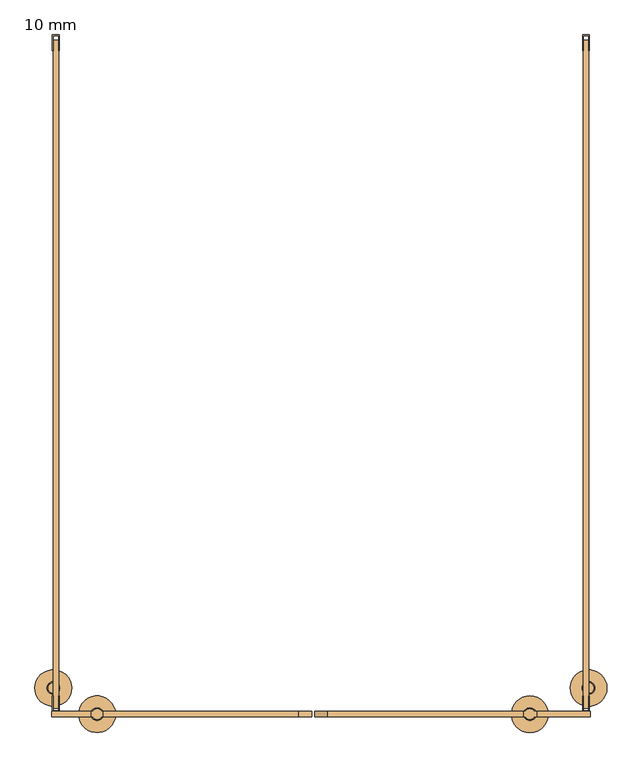
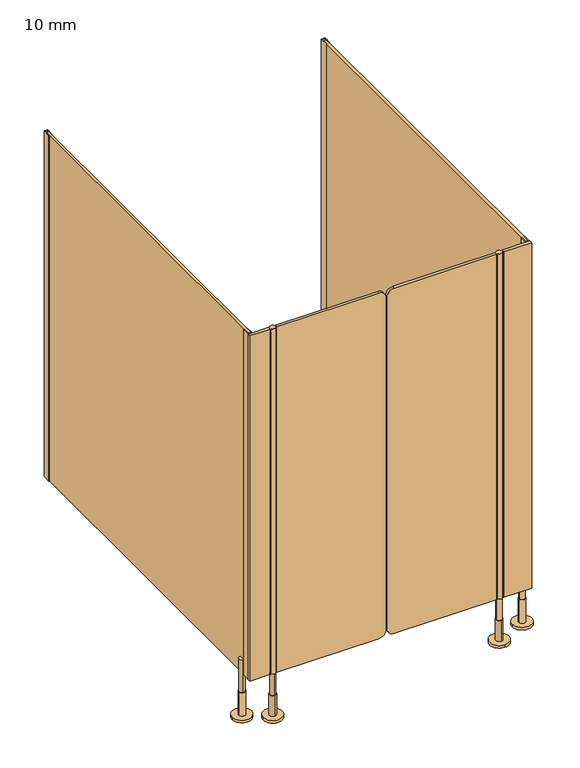
"""IFC4 building model written with IfcOpenShell, lengths in millimetres: door geometry, 10 mm."""

from ifc_helpers import new_model, si_unit, point, frame, frame_2d, origin, place, context, project, spatial, polyline, circle_curve, trimmed, segment, composite_curve, outline, extrude, source, transform, mapped, element, save
from ifc_brep_helpers import plane_surface, cylinder_surface, advanced_brep


def door_10_mm_b8bd5be1(model_context):
    return source(origin(), model_context, "Body", "SolidModel", [
        advanced_brep(
        [(408.0, -1295.0, 170.0), (388.0, -1295.0, 170.0), (388.0, -1295.0, 90.0), (408.0, -1295.0, 90.0), (398.0, -1283.0, 90.0), (398.0, -1307.0, 90.0), (398.0, -1283.0, 10.0), (398.0, -1307.0, 10.0), (398.0, -1260.0, 10.0), (398.0, -1330.0, 10.0), (398.0, -1260.0, 0.0), (398.0, -1330.0, 0.0)],
        [
            (0, 1, circle_curve(frame((398.0, -1295.0, 170.0), z_axis=(0.0, 0.0, 1.0), x_axis=(-1.0, 0.0, 0.0)), 10.0)),
            (1, 0, circle_curve(frame((398.0, -1295.0, 170.0), z_axis=(0.0, 0.0, 1.0), x_axis=(-1.0, 0.0, 0.0)), 10.0)),
            (1, 2),
            (2, 3, circle_curve(frame((398.0, -1295.0, 90.0), z_axis=(0.0, 0.0, 1.0), x_axis=(-1.0, 0.0, 0.0)), 10.0)),
            (3, 0),
            (3, 2, circle_curve(frame((398.0, -1295.0, 90.0), z_axis=(0.0, 0.0, 1.0), x_axis=(-1.0, 0.0, 0.0)), 10.0)),
            (4, 5, circle_curve(frame((398.0, -1295.0, 90.0), z_axis=(0.0, 0.0, 1.0), x_axis=(0.0, -1.0, 0.0)), 12.0)),
            (5, 4, circle_curve(frame((398.0, -1295.0, 90.0), z_axis=(0.0, 0.0, 1.0), x_axis=(0.0, -1.0, 0.0)), 12.0)),
            (4, 6),
            (6, 7, circle_curve(frame((398.0, -1295.0, 10.0), z_axis=(0.0, 0.0, 1.0), x_axis=(0.0, -1.0, 0.0)), 12.0)),
            (7, 5),
            (7, 6, circle_curve(frame((398.0, -1295.0, 10.0), z_axis=(0.0, 0.0, 1.0), x_axis=(0.0, -1.0, 0.0)), 12.0)),
            (8, 9, circle_curve(frame((398.0, -1295.0, 10.0), z_axis=(0.0, 0.0, 1.0), x_axis=(0.0, -1.0, 0.0)), 35.0)),
            (9, 8, circle_curve(frame((398.0, -1295.0, 10.0), z_axis=(0.0, 0.0, 1.0), x_axis=(0.0, -1.0, 0.0)), 35.0)),
            (10, 11, circle_curve(frame((398.0, -1295.0, 0.0), z_axis=(0.0, 0.0, -1.0), x_axis=(0.0, -1.0, 0.0)), 35.0)),
            (11, 10, circle_curve(frame((398.0, -1295.0, 0.0), z_axis=(0.0, 0.0, -1.0), x_axis=(0.0, -1.0, 0.0)), 35.0)),
            (8, 10),
            (11, 9),
        ],
        [
            plane_surface(frame((398.0, -1290.0, 170.0), z_axis=(0.0, 0.0, 1.0), x_axis=(0.0, -1.0, 0.0))),
            cylinder_surface(frame((398.0, -1295.0, 90.0), z_axis=(0.0, 0.0, -1.0), x_axis=(-1.0, 0.0, 0.0)), 10.0),
            plane_surface(frame((398.0, -1290.0, 90.0), z_axis=(0.0, 0.0, 1.0), x_axis=(0.0, -1.0, 0.0))),
            cylinder_surface(frame((398.0, -1295.0, 90.0), z_axis=(0.0, 0.0, 1.0), x_axis=(0.0, -1.0, 0.0)), 12.0),
            plane_surface(frame((398.0, -1290.0, 10.0), z_axis=(0.0, 0.0, 1.0), x_axis=(0.0, -1.0, 0.0))),
            plane_surface(frame((398.0, -1290.0, 0.0), z_axis=(0.0, 0.0, -1.0), x_axis=(0.0, -1.0, 0.0))),
            cylinder_surface(frame((398.0, -1295.0, 10.0), z_axis=(0.0, 0.0, 1.0), x_axis=(0.0, -1.0, 0.0)), 35.0),
        ],
        [
            (0, [[1, 2]]),
            (1, [[-2, 3, 4, 5]]),
            (1, [[-1, -5, 6, -3]]),
            (2, [[7, 8], [-4, -6]]),
            (3, [[-7, 9, 10, 11]]),
            (3, [[-8, -11, 12, -9]]),
            (4, [[13, 14], [-10, -12]]),
            (5, [[15, 16]]),
            (6, [[-13, 17, -16, 18]]),
            (6, [[-14, -18, -15, -17]]),
        ],
    ),
        advanced_brep(
        [(-426.5, -1305.0, 170.0), (-426.5, -1285.0, 170.0), (-426.5, -1285.0, 90.0), (-426.5, -1305.0, 90.0), (-426.5, -1283.0, 90.0), (-426.5, -1307.0, 90.0), (-426.5, -1283.0, 10.0), (-426.5, -1307.0, 10.0), (-391.5, -1295.0, 0.0), (-461.5, -1295.0, 0.0), (-391.5, -1295.0, 10.0), (-461.5, -1295.0, 10.0)],
        [
            (0, 1, circle_curve(frame((-426.5, -1295.0, 170.0), z_axis=(0.0, 0.0, -1.0), x_axis=(0.0, -1.0, 0.0)), 10.0)),
            (1, 2),
            (2, 3, circle_curve(frame((-426.5, -1295.0, 90.0), z_axis=(0.0, 0.0, 1.0), x_axis=(0.0, -1.0, 0.0)), 10.0)),
            (3, 0),
            (1, 0, circle_curve(frame((-426.5, -1295.0, 170.0), z_axis=(0.0, 0.0, -1.0), x_axis=(0.0, -1.0, 0.0)), 10.0)),
            (3, 2, circle_curve(frame((-426.5, -1295.0, 90.0), z_axis=(0.0, 0.0, 1.0), x_axis=(0.0, -1.0, 0.0)), 10.0)),
            (4, 5, circle_curve(frame((-426.5, -1295.0, 90.0), z_axis=(0.0, 0.0, 1.0), x_axis=(0.0, -1.0, 0.0)), 12.0)),
            (5, 4, circle_curve(frame((-426.5, -1295.0, 90.0), z_axis=(0.0, 0.0, 1.0), x_axis=(0.0, -1.0, 0.0)), 12.0)),
            (4, 6),
            (6, 7, circle_curve(frame((-426.5, -1295.0, 10.0), z_axis=(0.0, 0.0, 1.0), x_axis=(0.0, -1.0, 0.0)), 12.0)),
            (7, 5),
            (7, 6, circle_curve(frame((-426.5, -1295.0, 10.0), z_axis=(0.0, 0.0, 1.0), x_axis=(0.0, -1.0, 0.0)), 12.0)),
            (8, 9, circle_curve(frame((-426.5, -1295.0, 0.0), z_axis=(0.0, 0.0, -1.0), x_axis=(-1.0, 0.0, 0.0)), 35.0)),
            (9, 8, circle_curve(frame((-426.5, -1295.0, 0.0), z_axis=(0.0, 0.0, -1.0), x_axis=(-1.0, 0.0, 0.0)), 35.0)),
            (10, 11, circle_curve(frame((-426.5, -1295.0, 10.0), z_axis=(0.0, 0.0, 1.0), x_axis=(-1.0, 0.0, 0.0)), 35.0)),
            (11, 10, circle_curve(frame((-426.5, -1295.0, 10.0), z_axis=(0.0, 0.0, 1.0), x_axis=(-1.0, 0.0, 0.0)), 35.0)),
            (8, 10),
            (11, 9),
        ],
        [
            cylinder_surface(frame((-426.5, -1295.0, 170.0), z_axis=(0.0, 0.0, 1.0), x_axis=(0.0, -1.0, 0.0)), 10.0),
            plane_surface(frame((-426.5, -1290.0, 90.0), z_axis=(0.0, 0.0, 1.0), x_axis=(0.0, -1.0, 0.0))),
            cylinder_surface(frame((-426.5, -1295.0, 90.0), z_axis=(0.0, 0.0, 1.0), x_axis=(0.0, -1.0, 0.0)), 12.0),
            plane_surface(frame((-426.5, -1290.0, 0.0), z_axis=(0.0, 0.0, -1.0), x_axis=(0.0, -1.0, 0.0))),
            plane_surface(frame((-426.5, -1290.0, 10.0), z_axis=(0.0, 0.0, 1.0), x_axis=(0.0, -1.0, 0.0))),
            cylinder_surface(frame((-426.5, -1295.0, 0.0), z_axis=(0.0, 0.0, -1.0), x_axis=(-1.0, 0.0, 0.0)), 35.0),
            plane_surface(frame((-426.5, -1290.0, 170.0), z_axis=(0.0, 0.0, 1.0), x_axis=(0.0, -1.0, 0.0))),
        ],
        [
            (0, [[1, 2, 3, 4]]),
            (0, [[5, -4, 6, -2]]),
            (1, [[7, 8], [-3, -6]]),
            (2, [[-7, 9, 10, 11]]),
            (2, [[-8, -11, 12, -9]]),
            (3, [[13, 14]]),
            (4, [[15, 16], [-10, -12]]),
            (5, [[-13, 17, -16, 18]]),
            (5, [[-14, -18, -15, -17]]),
            (6, [[-1, -5]]),
        ],
    ),
        extrude(outline(composite_curve([segment(polyline([(170.0, 385.0), (1500.0, 385.0), (1500.0, 13.0002203)]), True, "CONTINUOUS"), segment(trimmed(circle_curve(frame_2d((1475.0, 13.0002203)), 25.0), [point((1500.0, 13.0002203))], [point((1475.0, -11.9997797))], False, "CARTESIAN"), True, "CONTINUOUS"), segment(polyline([(1475.0, -11.9997797), (195.0, -11.9997797)]), True, "CONTINUOUS"), segment(trimmed(circle_curve(frame_2d((195.0, 13.0002203)), 25.0), [point((195.0, -11.9997797))], [point((170.0, 13.0002203))], False, "CARTESIAN"), True, "CONTINUOUS"), segment(polyline([(170.0, 13.0002203), (170.0, 385.0)]), True, "CONTINUOUS")], self_intersect=False)), frame((0.0, -1300.0, 0.0), z_axis=(0.0, 1.0, 0.0), x_axis=(0.0, 0.0, 1.0)), (0.0, 0.0, 1.0), 10.0),
        extrude(outline(composite_curve([segment(polyline([(1500.0, -415.0), (170.0, -415.0), (170.0, -43.0002203)]), True, "CONTINUOUS"), segment(trimmed(circle_curve(frame_2d((195.0, -43.0002203)), 25.0), [point((170.0, -43.0002203))], [point((195.0, -18.0002203))], False, "CARTESIAN"), True, "CONTINUOUS"), segment(polyline([(195.0, -18.0002203), (1475.0, -18.0002203)]), True, "CONTINUOUS"), segment(trimmed(circle_curve(frame_2d((1475.0, -43.0002203)), 25.0), [point((1475.0, -18.0002203))], [point((1500.0, -43.0002203))], False, "CARTESIAN"), True, "CONTINUOUS"), segment(polyline([(1500.0, -43.0002203), (1500.0, -415.0)]), True, "CONTINUOUS")], self_intersect=False)), frame((0.0, -1300.0, 0.0), z_axis=(0.0, 1.0, 0.0), x_axis=(0.0, 0.0, 1.0)), (0.0, 0.0, 1.0), 10.0),
        advanced_brep(
        [(-435.160254, -1290.0, 170.0), (-417.839746, -1290.0, 170.0), (-415.0, -1290.0010631, 170.0), (-415.0, -1299.9989369, 170.0), (-417.8391323, -1299.9989369, 170.0), (-435.1608677, -1299.9989369, 170.0), (-438.0, -1299.9989369, 170.0), (-438.0, -1290.0010631, 170.0), (-417.839746, -1290.0, 1500.0), (-435.160254, -1290.0, 1500.0), (-438.0, -1290.0010631, 1500.0), (-438.0, -1299.9989369, 1500.0), (-435.1608677, -1299.9989369, 1500.0), (-417.8391323, -1299.9989369, 1500.0), (-415.0, -1299.9989369, 1500.0), (-415.0, -1290.0010631, 1500.0)],
        [
            (0, 1, circle_curve(frame((-426.5, -1295.0, 170.0), z_axis=(0.0, 0.0, -1.0), x_axis=(-1.0, 0.0, 0.0)), 10.0)),
            (1, 2),
            (2, 3),
            (3, 4),
            (4, 5, circle_curve(frame((-426.5, -1295.0, 170.0), z_axis=(0.0, 0.0, -1.0), x_axis=(-1.0, 0.0, 0.0)), 10.0)),
            (5, 6),
            (6, 7),
            (7, 0),
            (8, 9, circle_curve(frame((-426.5, -1295.0, 1500.0), z_axis=(0.0, 0.0, 1.0), x_axis=(-1.0, 0.0, 0.0)), 10.0)),
            (9, 10),
            (10, 11),
            (11, 12),
            (12, 13, circle_curve(frame((-426.5, -1295.0, 1500.0), z_axis=(0.0, 0.0, 1.0), x_axis=(-1.0, 0.0, 0.0)), 10.0)),
            (13, 14),
            (14, 15),
            (15, 8),
            (0, 9),
            (8, 1),
            (4, 13),
            (12, 5),
            (7, 10),
            (15, 2),
            (14, 3),
            (11, 6),
        ],
        [
            plane_surface(frame((-420.2598646, -1290.0, 170.0), z_axis=(0.0, 0.0, -1.0), x_axis=(0.0, -1.0, 0.0))),
            plane_surface(frame((-420.2598646, -1290.0, 1500.0), z_axis=(0.0, 0.0, 1.0), x_axis=(0.0, -1.0, 0.0))),
            cylinder_surface(frame((-426.5, -1295.0, 170.0), z_axis=(0.0, 0.0, -1.0), x_axis=(-1.0, 0.0, 0.0)), 10.0),
            plane_surface(frame((-438.0, -1290.0010631, 170.0), z_axis=(0.0, 1.0, 0.0), x_axis=(0.0, 0.0, 1.0))),
            plane_surface(frame((-415.0, -1290.0010631, 170.0), z_axis=(1.0, 0.0, 0.0), x_axis=(0.0, 0.0, 1.0))),
            plane_surface(frame((-415.0, -1299.9989369, 170.0), z_axis=(0.0, -1.0, 0.0), x_axis=(0.0, 0.0, 1.0))),
            plane_surface(frame((-438.0, -1299.9989369, 170.0), z_axis=(-1.0, 0.0, 0.0), x_axis=(0.0, 0.0, 1.0))),
        ],
        [
            (0, [[1, 2, 3, 4, 5, 6, 7, 8]]),
            (1, [[9, 10, 11, 12, 13, 14, 15, 16]]),
            (2, [[-1, 17, -9, 18]]),
            (2, [[-5, 19, -13, 20]]),
            (3, [[21, -10, -17, -8]]),
            (3, [[22, -2, -18, -16]]),
            (4, [[-3, -22, -15, 23]]),
            (5, [[-23, -14, -19, -4]]),
            (5, [[24, -6, -20, -12]]),
            (6, [[-7, -24, -11, -21]]),
        ],
    ),
        extrude(outline(composite_curve([segment(trimmed(circle_curve(frame_2d((398.0, -1295.0)), 10.0), [point((406.6608677, -1299.9989369))], [point((389.3391323, -1299.9989369))], False, "CARTESIAN"), True, "CONTINUOUS"), segment(polyline([(389.3391323, -1299.9989369), (385.0, -1299.9989369), (385.0, -1290.0010631), (389.3391323, -1290.0010631)]), True, "CONTINUOUS"), segment(trimmed(circle_curve(frame_2d((398.0, -1295.0)), 10.0), [point((389.3391323, -1290.0010631))], [point((406.6608677, -1290.0010631))], False, "CARTESIAN"), True, "CONTINUOUS"), segment(polyline([(406.6608677, -1290.0010631), (411.0, -1290.0010631), (411.0, -1299.9989369), (406.6608677, -1299.9989369)]), True, "CONTINUOUS")], self_intersect=False)), frame((0.0, 0.0, 170.0), z_axis=(0.0, 0.0, 1.0), x_axis=(1.0, 0.0, 0.0)), (0.0, 0.0, 1.0), 1330.0),
        extrude(outline(polyline([(498.5, 0.0), (511.5, 0.0), (511.5, -30.0), (510.0, -30.0), (510.0, -1.5), (500.0, -1.5), (500.0, -30.0), (498.5, -30.0), (498.5, 0.0)])), frame((0.0, 0.0, 170.0), z_axis=(0.0, 0.0, 1.0), x_axis=(1.0, 0.0, 0.0)), (0.0, 0.0, 1.0), 1330.0),
        extrude(outline(polyline([(-511.5, 0.0), (-498.5, 0.0), (-498.5, -30.0), (-500.0, -30.0), (-500.0, -1.5), (-510.0, -1.5), (-510.0, -30.0), (-511.5, -30.0), (-511.5, 0.0)])), frame((0.0, 0.0, 170.0), z_axis=(0.0, 0.0, 1.0), x_axis=(1.0, 0.0, 0.0)), (0.0, 0.0, 1.0), 1330.0),
        extrude(outline(polyline([(411.0, -1290.0), (513.0, -1290.0), (513.0, -1300.0), (411.0, -1300.0), (411.0, -1290.0)])), frame((0.0, 0.0, 170.0), z_axis=(0.0, 0.0, 1.0), x_axis=(1.0, 0.0, 0.0)), (0.0, 0.0, 1.0), 1330.0),
        extrude(outline(polyline([(-438.0, -1290.0), (-438.0, -1300.0), (-513.0, -1300.0), (-513.0, -1290.0), (-438.0, -1290.0)])), frame((0.0, 0.0, 170.0), z_axis=(0.0, 0.0, 1.0), x_axis=(1.0, 0.0, 0.0)), (0.0, 0.0, 1.0), 1330.0),
        extrude(outline(polyline([(511.5, -1290.0), (498.5, -1290.0), (498.5, -1260.0), (500.0, -1260.0), (500.0, -1288.5), (510.0, -1288.5), (510.0, -1260.0), (511.5, -1260.0), (511.5, -1290.0)])), frame((0.0, 0.0, 170.0), z_axis=(0.0, 0.0, 1.0), x_axis=(1.0, 0.0, 0.0)), (0.0, 0.0, 1.0), 1330.0),
        extrude(outline(polyline([(-498.5, -1290.0), (-511.5, -1290.0), (-511.5, -1260.0), (-510.0, -1260.0), (-510.0, -1288.5), (-500.0, -1288.5), (-500.0, -1260.0), (-498.5, -1260.0), (-498.5, -1290.0)])), frame((0.0, 0.0, 170.0), z_axis=(0.0, 0.0, 1.0), x_axis=(1.0, 0.0, 0.0)), (0.0, 0.0, 1.0), 1330.0),
        advanced_brep(
        [(475.0, -1245.0, 0.0), (545.0, -1245.0, 0.0), (475.0, -1245.0, 10.0), (545.0, -1245.0, 10.0), (498.0, -1245.0, 10.0), (522.0, -1245.0, 10.0), (498.0, -1245.0, 100.0), (522.0, -1245.0, 100.0), (500.0, -1245.0, 100.0), (520.0, -1245.0, 100.0), (500.0, -1245.0, 225.5), (520.0, -1245.0, 225.5)],
        [
            (0, 1, circle_curve(frame((510.0, -1245.0, 0.0), z_axis=(0.0, 0.0, -1.0), x_axis=(1.0, 0.0, 0.0)), 35.0)),
            (1, 0, circle_curve(frame((510.0, -1245.0, 0.0), z_axis=(0.0, 0.0, -1.0), x_axis=(1.0, 0.0, 0.0)), 35.0)),
            (2, 3, circle_curve(frame((510.0, -1245.0, 10.0), z_axis=(0.0, 0.0, 1.0), x_axis=(1.0, 0.0, 0.0)), 35.0)),
            (3, 2, circle_curve(frame((510.0, -1245.0, 10.0), z_axis=(0.0, 0.0, 1.0), x_axis=(1.0, 0.0, 0.0)), 35.0)),
            (4, 5, circle_curve(frame((510.0, -1245.0, 10.0), z_axis=(0.0, 0.0, -1.0), x_axis=(1.0, 0.0, 0.0)), 12.0)),
            (5, 4, circle_curve(frame((510.0, -1245.0, 10.0), z_axis=(0.0, 0.0, -1.0), x_axis=(1.0, 0.0, 0.0)), 12.0)),
            (0, 2),
            (3, 1),
            (6, 7, circle_curve(frame((510.0, -1245.0, 100.0), z_axis=(0.0, 0.0, 1.0), x_axis=(1.0, 0.0, 0.0)), 12.0)),
            (7, 6, circle_curve(frame((510.0, -1245.0, 100.0), z_axis=(0.0, 0.0, 1.0), x_axis=(1.0, 0.0, 0.0)), 12.0)),
            (8, 9, circle_curve(frame((510.0, -1245.0, 100.0), z_axis=(0.0, 0.0, -1.0), x_axis=(1.0, 0.0, 0.0)), 10.0)),
            (9, 8, circle_curve(frame((510.0, -1245.0, 100.0), z_axis=(0.0, 0.0, -1.0), x_axis=(1.0, 0.0, 0.0)), 10.0)),
            (7, 5),
            (4, 6),
            (10, 11, circle_curve(frame((510.0, -1245.0, 225.5), z_axis=(0.0, 0.0, 1.0), x_axis=(1.0, 0.0, 0.0)), 10.0)),
            (11, 10, circle_curve(frame((510.0, -1245.0, 225.5), z_axis=(0.0, 0.0, 1.0), x_axis=(1.0, 0.0, 0.0)), 10.0)),
            (11, 9),
            (8, 10),
        ],
        [
            plane_surface(frame((505.0, -1295.0, 0.0), z_axis=(0.0, 0.0, -1.0), x_axis=(0.0, 1.0, 0.0))),
            plane_surface(frame((505.0, -1295.0, 10.0), z_axis=(0.0, 0.0, 1.0), x_axis=(0.0, 1.0, 0.0))),
            cylinder_surface(frame((510.0, -1245.0, 0.0), z_axis=(0.0, 0.0, -1.0), x_axis=(1.0, 0.0, 0.0)), 35.0),
            plane_surface(frame((505.0, -1295.0, 100.0), z_axis=(0.0, 0.0, 1.0), x_axis=(0.0, 1.0, 0.0))),
            cylinder_surface(frame((510.0, -1245.0, 10.0), z_axis=(0.0, 0.0, -1.0), x_axis=(1.0, 0.0, 0.0)), 12.0),
            plane_surface(frame((505.0, -1295.0, 225.5), z_axis=(0.0, 0.0, 1.0), x_axis=(0.0, 1.0, 0.0))),
            cylinder_surface(frame((510.0, -1245.0, 100.0), z_axis=(0.0, 0.0, -1.0), x_axis=(1.0, 0.0, 0.0)), 10.0),
        ],
        [
            (0, [[1, 2]]),
            (1, [[3, 4], [5, 6]]),
            (2, [[-1, 7, -4, 8]]),
            (2, [[-2, -8, -3, -7]]),
            (3, [[9, 10], [11, 12]]),
            (4, [[-10, 13, -5, 14]]),
            (4, [[-9, -14, -6, -13]]),
            (5, [[15, 16]]),
            (6, [[-16, 17, -11, 18]]),
            (6, [[-15, -18, -12, -17]]),
        ],
    ),
        advanced_brep(
        [(-545.0, -1245.0, 0.0), (-475.0, -1245.0, 0.0), (-545.0, -1245.0, 10.0), (-475.0, -1245.0, 10.0), (-522.0, -1245.0, 10.0), (-498.0, -1245.0, 10.0), (-522.0, -1245.0, 100.0), (-498.0, -1245.0, 100.0), (-510.0, -1235.0, 100.0), (-510.0, -1255.0, 100.0), (-510.0, -1255.0, 225.5), (-510.0, -1235.0, 225.5)],
        [
            (0, 1, circle_curve(frame((-510.0, -1245.0, 0.0), z_axis=(0.0, 0.0, -1.0), x_axis=(1.0, 0.0, 0.0)), 35.0)),
            (1, 0, circle_curve(frame((-510.0, -1245.0, 0.0), z_axis=(0.0, 0.0, -1.0), x_axis=(1.0, 0.0, 0.0)), 35.0)),
            (2, 3, circle_curve(frame((-510.0, -1245.0, 10.0), z_axis=(0.0, 0.0, 1.0), x_axis=(1.0, 0.0, 0.0)), 35.0)),
            (3, 2, circle_curve(frame((-510.0, -1245.0, 10.0), z_axis=(0.0, 0.0, 1.0), x_axis=(1.0, 0.0, 0.0)), 35.0)),
            (4, 5, circle_curve(frame((-510.0, -1245.0, 10.0), z_axis=(0.0, 0.0, -1.0), x_axis=(1.0, 0.0, 0.0)), 12.0)),
            (5, 4, circle_curve(frame((-510.0, -1245.0, 10.0), z_axis=(0.0, 0.0, -1.0), x_axis=(1.0, 0.0, 0.0)), 12.0)),
            (0, 2),
            (3, 1),
            (6, 7, circle_curve(frame((-510.0, -1245.0, 100.0), z_axis=(0.0, 0.0, 1.0), x_axis=(1.0, 0.0, 0.0)), 12.0)),
            (7, 6, circle_curve(frame((-510.0, -1245.0, 100.0), z_axis=(0.0, 0.0, 1.0), x_axis=(1.0, 0.0, 0.0)), 12.0)),
            (8, 9, circle_curve(frame((-510.0, -1245.0, 100.0), z_axis=(0.0, 0.0, -1.0), x_axis=(0.0, 1.0, 0.0)), 10.0)),
            (9, 8, circle_curve(frame((-510.0, -1245.0, 100.0), z_axis=(0.0, 0.0, -1.0), x_axis=(0.0, 1.0, 0.0)), 10.0)),
            (7, 5),
            (4, 6),
            (10, 11, circle_curve(frame((-510.0, -1245.0, 225.5), z_axis=(0.0, 0.0, 1.0), x_axis=(0.0, 1.0, 0.0)), 10.0)),
            (11, 10, circle_curve(frame((-510.0, -1245.0, 225.5), z_axis=(0.0, 0.0, 1.0), x_axis=(0.0, 1.0, 0.0)), 10.0)),
            (10, 9),
            (8, 11),
        ],
        [
            plane_surface(frame((-505.0, -1295.0, 0.0), z_axis=(0.0, 0.0, -1.0), x_axis=(0.0, 1.0, 0.0))),
            plane_surface(frame((-505.0, -1295.0, 10.0), z_axis=(0.0, 0.0, 1.0), x_axis=(0.0, 1.0, 0.0))),
            cylinder_surface(frame((-510.0, -1245.0, 0.0), z_axis=(0.0, 0.0, -1.0), x_axis=(1.0, 0.0, 0.0)), 35.0),
            plane_surface(frame((-505.0, -1405.0, 100.0), z_axis=(0.0, 0.0, 1.0), x_axis=(0.0, 1.0, 0.0))),
            cylinder_surface(frame((-510.0, -1245.0, 10.0), z_axis=(0.0, 0.0, -1.0), x_axis=(1.0, 0.0, 0.0)), 12.0),
            plane_surface(frame((-505.0, -1295.0, 225.5), z_axis=(0.0, 0.0, 1.0), x_axis=(0.0, 1.0, 0.0))),
            cylinder_surface(frame((-510.0, -1245.0, 225.5), z_axis=(0.0, 0.0, 1.0), x_axis=(0.0, 1.0, 0.0)), 10.0),
        ],
        [
            (0, [[1, 2]]),
            (1, [[3, 4], [5, 6]]),
            (2, [[-1, 7, -4, 8]]),
            (2, [[-2, -8, -3, -7]]),
            (3, [[9, 10], [11, 12]]),
            (4, [[-10, 13, -5, 14]]),
            (4, [[-9, -14, -6, -13]]),
            (5, [[15, 16]]),
            (6, [[-15, 17, -11, 18]]),
            (6, [[-16, -18, -12, -17]]),
        ],
    ),
        extrude(outline(polyline([(510.0, -10.0), (510.0, -1284.0), (500.0, -1284.0), (500.0, -10.0), (510.0, -10.0)])), frame((0.0, 0.0, 170.0), z_axis=(0.0, 0.0, 1.0), x_axis=(1.0, 0.0, 0.0)), (0.0, 0.0, 1.0), 1330.0),
        extrude(outline(polyline([(-510.0, -10.0), (-500.0, -10.0), (-500.0, -1284.0), (-510.0, -1284.0), (-510.0, -10.0)])), frame((0.0, 0.0, 170.0), z_axis=(0.0, 0.0, 1.0), x_axis=(1.0, 0.0, 0.0)), (0.0, 0.0, 1.0), 1330.0),
    ])


if __name__ == "__main__":
    model = new_model("IFC4")
    model_context = context("Model", 3, world=origin())
    ifc_project = project(units=[si_unit("LENGTHUNIT", "METRE", prefix="MILLI")], contexts=[model_context])
    site = spatial("IfcSite", under=ifc_project)
    building = spatial("IfcBuilding", under=site)
    placement = place(None, origin())
    door_10_mm_shape = door_10_mm_b8bd5be1(model_context)
    element("IfcDoor", 1, ObjectType="10 mm", at=placement, inside=building, context=model_context, shape_type="MappedRepresentation", body=[
        mapped(door_10_mm_shape, transform((0.0, 0.0, 0.0), x_axis=(1.0, 0.0, 0.0), y_axis=(0.0, 1.0, 0.0), z_axis=(0.0, 0.0, 1.0))),
    ])
    save(model, "model.ifc")
